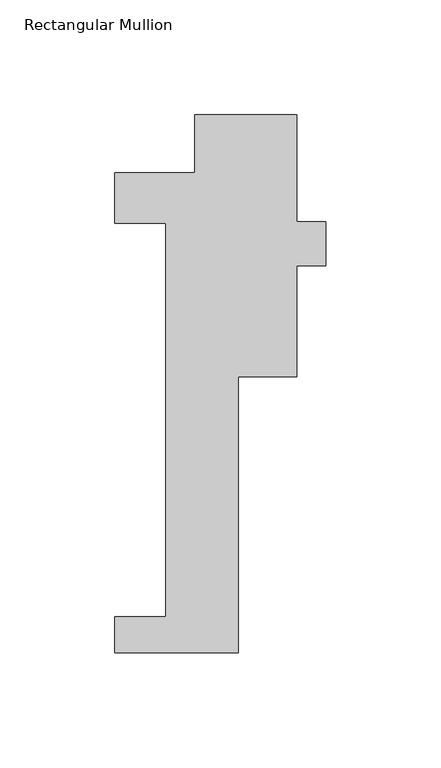
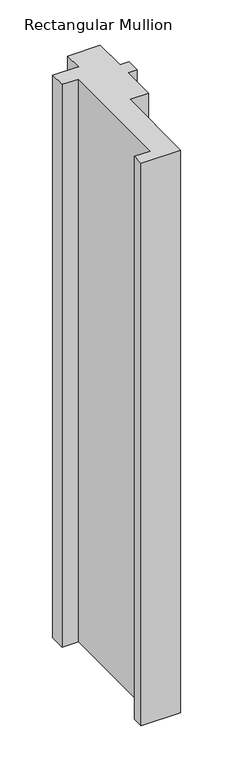
"""IFC4 building model written with IfcOpenShell, lengths in millimetres: member geometry, Rectangular Mullion."""

from ifc_helpers import new_model, si_unit, frame, origin, place, context, project, spatial, polyline, outline, extrude, source, transform, mapped, element, save


def rectangular_mullion_9abe8f45(model_context):
    return source(origin(), model_context, "Body", "SweptSolid", [
        extrude(outline(polyline([(15.875, -221.996), (-38.1, -221.996), (-38.1, -206.121), (-15.875, -206.121), (-15.875, -34.671), (-38.1, -34.671), (-38.1, -12.7), (-3.175, -12.7), (-3.175, 12.7), (41.275, 12.7), (41.275, -34.0209981), (53.9837706, -34.0209981), (53.9837706, -53.0709981), (41.275, -53.0709981), (41.275, -101.6), (15.875, -101.6), (15.875, -221.996)])), frame((0.0, 0.0, -812.8), z_axis=(0.0, 0.0, 1.0), x_axis=(1.0, 0.0, 0.0)), (0.0, 0.0, 1.0), 812.8),
    ])


if __name__ == "__main__":
    model = new_model("IFC4")
    model_context = context("Model", 3, world=origin())
    ifc_project = project(units=[si_unit("LENGTHUNIT", "METRE", prefix="MILLI")], contexts=[model_context])
    site = spatial("IfcSite", under=ifc_project)
    building = spatial("IfcBuilding", under=site)
    placement = place(None, origin())
    rectangular_mullion_shape = rectangular_mullion_9abe8f45(model_context)
    element("IfcMember", 1, ObjectType="Rectangular Mullion", at=placement, inside=building, context=model_context, shape_type="MappedRepresentation", body=[
        mapped(rectangular_mullion_shape, transform((0.0, 0.0, 0.0), x_axis=(1.0, 0.0, 0.0), y_axis=(0.0, 1.0, 0.0), z_axis=(0.0, 0.0, 1.0))),
    ])
    save(model, "model.ifc")
